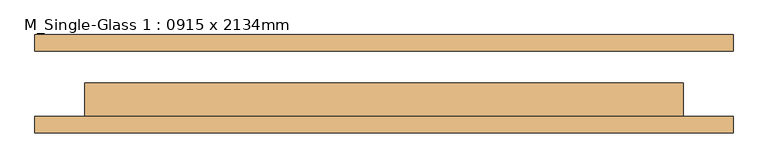
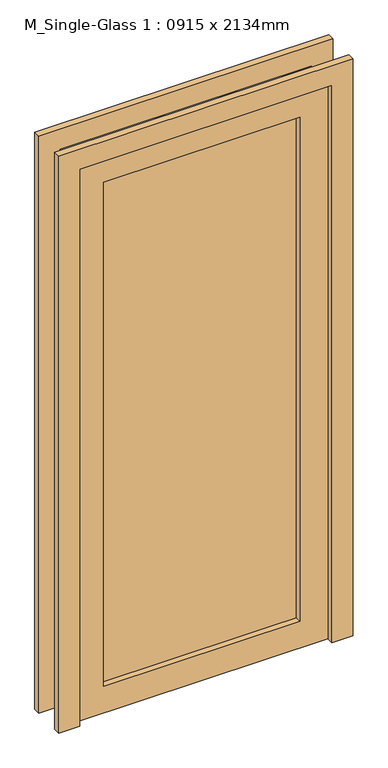
"""IFC4 building model written with IfcOpenShell, lengths in millimetres: door geometry, M_Single-Glass 1 : 0915 x 2134mm."""

from ifc_helpers import new_model, si_unit, frame, origin, place, context, project, spatial, polyline, outline, extrude, source, transform, mapped, element, save


def m_single_glass_1_0915_x_2134mm_5ed04f6a(model_context):
    return source(origin(), model_context, "Body", "SweptSolid", [
        extrude(outline(polyline([(2134.0, 457.5), (0.0, 457.5), (0.0, 533.5), (2210.0, 533.5), (2210.0, -533.5), (0.0, -533.5), (0.0, -457.5), (2134.0, -457.5), (2134.0, 457.5)])), frame((0.0, 50.0, 0.0), z_axis=(0.0, 1.0, 0.0), x_axis=(0.0, 0.0, 1.0)), (0.0, 0.0, 1.0), 25.0),
        extrude(outline(polyline([(2134.0, 457.5), (0.0, 457.5), (0.0, 533.5), (2210.0, 533.5), (2210.0, -533.5), (0.0, -533.5), (0.0, -457.5), (2134.0, -457.5), (2134.0, 457.5)])), frame((0.0, -75.0, 0.0), z_axis=(0.0, 1.0, 0.0), x_axis=(0.0, 0.0, 1.0)), (0.0, 0.0, 1.0), 25.0),
        extrude(outline(polyline([(355.5, -21.425), (355.5, -27.775), (-355.5, -27.775), (-355.5, -21.425), (355.5, -21.425)])), frame((0.0, 0.0, 102.0), z_axis=(0.0, 0.0, 1.0), x_axis=(1.0, 0.0, 0.0)), (0.0, 0.0, 1.0), 1930.0),
        extrude(outline(polyline([(2134.0, 457.5), (2134.0, -457.5), (0.0, -457.5), (0.0, 457.5), (2134.0, 457.5)]), holes=[polyline([(2032.0, -355.5), (2032.0, 355.5), (102.0, 355.5), (102.0, -355.5), (2032.0, -355.5)])]), frame((0.0, -50.0, 0.0), z_axis=(0.0, 1.0, 0.0), x_axis=(0.0, 0.0, 1.0)), (0.0, 0.0, 1.0), 51.0),
    ])


if __name__ == "__main__":
    model = new_model("IFC4")
    model_context = context("Model", 3, world=origin())
    ifc_project = project(units=[si_unit("LENGTHUNIT", "METRE", prefix="MILLI")], contexts=[model_context])
    site = spatial("IfcSite", under=ifc_project)
    building = spatial("IfcBuilding", under=site)
    placement = place(None, origin())
    m_single_glass_1_0915_x_2134mm_shape = m_single_glass_1_0915_x_2134mm_5ed04f6a(model_context)
    element("IfcDoor", 1, ObjectType="M_Single-Glass 1 : 0915 x 2134mm", at=placement, inside=building, context=model_context, shape_type="MappedRepresentation", body=[
        mapped(m_single_glass_1_0915_x_2134mm_shape, transform((0.0, 0.0, 0.0), x_axis=(1.0, 0.0, 0.0), y_axis=(0.0, 1.0, 0.0), z_axis=(0.0, 0.0, 1.0))),
    ])
    save(model, "model.ifc")
